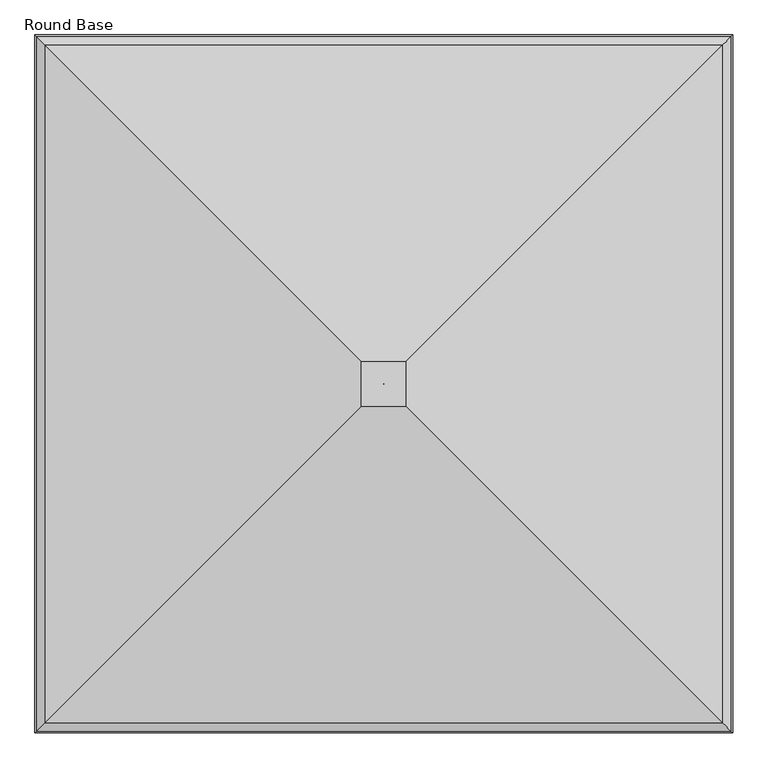
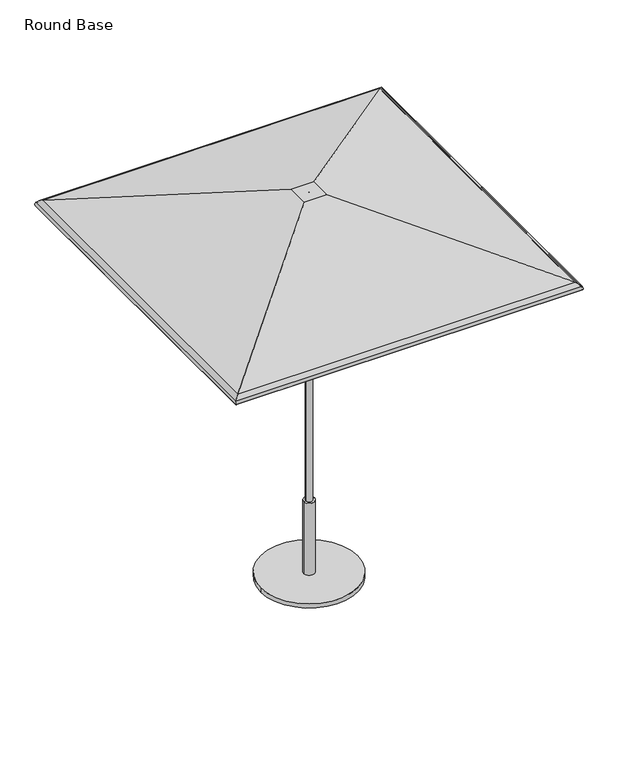
"""IFC4 building model written with IfcOpenShell, lengths in millimetres: furniture geometry, Round Base."""

import ifcopenshell
import ifcopenshell.guid

model = None  # the IFC model being written
_history = None  # IfcOwnerHistory: only IFC2X3 demands one
_inside = {}  # id of a spatial element -> (the spatial element, [elements in it])
_under = {}  # id of a project, library or spatial element -> (it, [spatial elements below it])
_declared = {}  # id of a project -> (the project, [libraries it declares])
_typed = {}  # id of a type object -> (the type object, [elements of that type])
_made_of = {}  # id of a material, layer set ... -> (it, [elements and type objects made of it])


def new_model(schema):
    """Start an empty IFC model of exactly this schema.

    Asked for "IFC4X3", IfcOpenShell would pick the latest addendum, in which some entities
    have other attributes; the version numbers below select the first issue.
    IFC2X3 requires an IfcOwnerHistory on every rooted entity: one is made here for all.
    """
    global model, _history
    if schema == "IFC4X3":
        model = ifcopenshell.file(schema_version=(4, 3, 0, 0))
    else:
        model = ifcopenshell.file(schema=schema)
    _inside.clear()
    _under.clear()
    _declared.clear()
    _typed.clear()
    _made_of.clear()
    _history = None
    if model.schema == "IFC2X3":
        org = make("IfcOrganization", Name="unknown")
        user = make(
            "IfcPersonAndOrganization",
            ThePerson=make("IfcPerson", FamilyName="unknown"),
            TheOrganization=org,
        )
        app = make(
            "IfcApplication",
            ApplicationDeveloper=org,
            Version="unknown",
            ApplicationFullName="unknown",
            ApplicationIdentifier="unknown",
        )
        _history = make(
            "IfcOwnerHistory",
            OwningUser=user,
            OwningApplication=app,
            ChangeAction="ADDED",
            CreationDate=0,
        )
    return model


def make(cls, **values):
    """One entity of the class cls with the attributes given. An attribute that is None is left unset."""
    return model.create_entity(
        cls, **{name: value for name, value in values.items() if value is not None}
    )


def rooted(cls, **values):
    """An entity with a GlobalId (a new one), such as an element, a storey or a relation."""
    return make(cls, GlobalId=ifcopenshell.guid.new(), OwnerHistory=_history, **values)


def si_unit(unit_type, name, prefix=None):
    """IfcSIUnit, for example si_unit("LENGTHUNIT", "METRE", prefix="MILLI")."""
    return make("IfcSIUnit", UnitType=unit_type, Prefix=prefix, Name=name)


def assignment(units):
    """IfcUnitAssignment: the units of a project."""
    return None if units is None else make("IfcUnitAssignment", Units=units)


def point(xyz):
    """IfcCartesianPoint."""
    return None if xyz is None else make("IfcCartesianPoint", Coordinates=xyz)


def direction(xyz):
    """IfcDirection."""
    return None if xyz is None else make("IfcDirection", DirectionRatios=xyz)


def frame(location, z_axis=None, x_axis=None):
    """IfcAxis2Placement3D, a coordinate frame: its origin and axes. An axis left out is left unset."""
    return make(
        "IfcAxis2Placement3D",
        Location=point(location),
        Axis=direction(z_axis),
        RefDirection=direction(x_axis),
    )


def frame_2d(location, x_axis=None):
    """IfcAxis2Placement2D, a coordinate frame in the plane: its origin and x axis."""
    return make(
        "IfcAxis2Placement2D", Location=point(location), RefDirection=direction(x_axis)
    )


def origin():
    """The frame at (0, 0, 0) with its axes left unset."""
    return frame((0.0, 0.0, 0.0))


def origin_with_axes():
    """The frame at (0, 0, 0) with the z axis (0, 0, 1) and the x axis (1, 0, 0) written out."""
    return frame((0.0, 0.0, 0.0), z_axis=(0.0, 0.0, 1.0), x_axis=(1.0, 0.0, 0.0))


def place(relative_to, where):
    """IfcLocalPlacement: puts the frame where relative to a parent placement (None: the world)."""
    return make(
        "IfcLocalPlacement", PlacementRelTo=relative_to, RelativePlacement=where
    )


def context(
    kind, dimensions, precision=None, world=None, true_north=None, identifier=None
):
    """IfcGeometricRepresentationContext, for example the 3D "Model" context."""
    return make(
        "IfcGeometricRepresentationContext",
        ContextIdentifier=identifier,
        ContextType=kind,
        CoordinateSpaceDimension=dimensions,
        Precision=precision,
        WorldCoordinateSystem=world,
        TrueNorth=true_north,
    )


def project(units=None, contexts=None):
    """IfcProject with its units and contexts."""
    return rooted(
        "IfcProject",
        Name="project",
        RepresentationContexts=contexts,
        UnitsInContext=assignment(units),
    )


def spatial(cls, under=None, at=None, **own):
    """A site, building, storey or space (cls), placed at a placement, below another one or the project."""
    s = rooted(cls, ObjectPlacement=at, **own)
    if under is not None:
        _under.setdefault(under.id(), (under, []))[1].append(s)
    return s


def polyline(points):
    """IfcPolyline through the points."""
    return make("IfcPolyline", Points=[point(p) for p in points])


def circle_curve(where, radius):
    """IfcCircle in the frame where."""
    return make("IfcCircle", Position=where, Radius=radius)


def ellipse_curve(where, semi_axis1, semi_axis2):
    """IfcEllipse in the frame where."""
    return make(
        "IfcEllipse", Position=where, SemiAxis1=semi_axis1, SemiAxis2=semi_axis2
    )


def trimmed(basis, trim1, trim2, sense, master):
    """IfcTrimmedCurve: the piece of a basis curve between two trims."""
    return make(
        "IfcTrimmedCurve",
        BasisCurve=basis,
        Trim1=trim1,
        Trim2=trim2,
        SenseAgreement=sense,
        MasterRepresentation=master,
    )


def segment(curve, same_sense, transition):
    """IfcCompositeCurveSegment."""
    return make(
        "IfcCompositeCurveSegment",
        Transition=transition,
        SameSense=same_sense,
        ParentCurve=curve,
    )


def composite_curve(segments, self_intersect=None):
    """IfcCompositeCurve: segments joined end to end."""
    return make("IfcCompositeCurve", Segments=segments, SelfIntersect=self_intersect)


def outline(outer, holes=None, kind="AREA"):
    """IfcArbitraryClosedProfileDef: a profile drawn as a closed curve; with holes, ...WithVoids."""
    if holes is None:
        return make("IfcArbitraryClosedProfileDef", ProfileType=kind, OuterCurve=outer)
    return make(
        "IfcArbitraryProfileDefWithVoids",
        ProfileType=kind,
        OuterCurve=outer,
        InnerCurves=holes,
    )


def extrude(swept, where, along, depth):
    """IfcExtrudedAreaSolid: the profile swept, set in the frame where, extruded along a direction by depth."""
    return make(
        "IfcExtrudedAreaSolid",
        SweptArea=swept,
        Position=where,
        ExtrudedDirection=direction(along),
        Depth=depth,
    )


def shape(context_of_items, identifier, shape_type, items):
    """IfcShapeRepresentation: the items that make up one representation, for example the "Body"."""
    return make(
        "IfcShapeRepresentation",
        ContextOfItems=context_of_items,
        RepresentationIdentifier=identifier,
        RepresentationType=shape_type,
        Items=items,
    )


def source(mapping_origin, context_of_items, identifier, shape_type, items):
    """IfcRepresentationMap: a shape defined once, which mapped items show again and again."""
    return make(
        "IfcRepresentationMap",
        MappingOrigin=mapping_origin,
        MappedRepresentation=shape(context_of_items, identifier, shape_type, items),
    )


def transform(
    local_origin,
    x_axis=None,
    y_axis=None,
    z_axis=None,
    scale=None,
    scale2=None,
    scale3=None,
    uniform=True,
):
    """IfcCartesianTransformationOperator3D, or its non-uniform kind. x_axis, y_axis, z_axis: its Axis1, 2, 3."""
    if uniform:
        return make(
            "IfcCartesianTransformationOperator3D",
            Axis1=direction(x_axis),
            Axis2=direction(y_axis),
            LocalOrigin=point(local_origin),
            Scale=scale,
            Axis3=direction(z_axis),
        )
    return make(
        "IfcCartesianTransformationOperator3DnonUniform",
        Axis1=direction(x_axis),
        Axis2=direction(y_axis),
        LocalOrigin=point(local_origin),
        Scale=scale,
        Axis3=direction(z_axis),
        Scale2=scale2,
        Scale3=scale3,
    )


def mapped(mapping_source, mapping_target):
    """IfcMappedItem: shows the shape of a source again, moved by a transform."""
    return make(
        "IfcMappedItem", MappingSource=mapping_source, MappingTarget=mapping_target
    )


def made_of(thing, what):
    """Note that an element or type object is made of a material, layer set ...; save() writes the relation."""
    if what is not None:
        _made_of.setdefault(what.id(), (what, []))[1].append(thing)
    return thing


def element(
    cls,
    number,
    at=None,
    inside=None,
    cuts=None,
    type_object=None,
    material=None,
    context=None,
    identifier="Body",
    shape_type=None,
    held_by="IfcProductDefinitionShape",
    body=None,
    shapes=None,
    **own,
):
    """One element of the class cls, such as IfcWall. Its Tag is "e" and its number.

    at: its placement. inside: the storey or other place that contains it. cuts: it is an
    opening in that element (IfcRelVoidsElement). A single representation is given by context,
    identifier, shape_type and body (its items); several are given by shapes. held_by: the class
    of the entity that holds the representations. save() writes the other relations.
    """
    e = rooted(cls, Tag="e%d" % number, ObjectPlacement=at, **own)
    if body is not None:
        shapes = [shape(context, identifier, shape_type, body)]
    if shapes is not None:
        e.Representation = make(held_by, Representations=shapes)
    if inside is not None:
        _inside.setdefault(inside.id(), (inside, []))[1].append(e)
    if cuts is not None:
        rooted(
            "IfcRelVoidsElement", RelatingBuildingElement=cuts, RelatedOpeningElement=e
        )
    if type_object is not None:
        _typed.setdefault(type_object.id(), (type_object, []))[1].append(e)
    return made_of(e, material)


def aggregate(whole, parts):
    """IfcRelAggregates: a whole, such as a stair, and the parts it consists of."""
    return rooted("IfcRelAggregates", RelatingObject=whole, RelatedObjects=parts)


def save(model, path):
    """Write the relations noted so far, then the file.

    IfcRelAggregates (storeys below a building ...), IfcRelContainedInSpatialStructure (elements
    in a storey), IfcRelDefinesByType, IfcRelAssociatesMaterial and IfcRelDeclares: one each for
    every whole, place, type object, material and project.
    """
    for whole, parts in _under.values():
        aggregate(whole, parts)
    for where, things in _inside.values():
        rooted(
            "IfcRelContainedInSpatialStructure",
            RelatedElements=things,
            RelatingStructure=where,
        )
    for kind, things in _typed.values():
        rooted("IfcRelDefinesByType", RelatedObjects=things, RelatingType=kind)
    for what, things in _made_of.values():
        rooted("IfcRelAssociatesMaterial", RelatedObjects=things, RelatingMaterial=what)
    for by, libraries in _declared.values():
        rooted("IfcRelDeclares", RelatingContext=by, RelatedDefinitions=libraries)
    model.write(path)


def plane_surface(at):
    """IfcPlane: the flat surface through the origin of the frame at, square to its z axis."""
    return make("IfcPlane", Position=at)


def cylinder_surface(at, radius):
    """IfcCylindricalSurface: all points at the distance radius from the z axis of the frame at."""
    return make("IfcCylindricalSurface", Position=at, Radius=radius)


def revolved_surface(curve, axis_point, axis_direction):
    """IfcSurfaceOfRevolution: the curve turned about the line through axis_point along axis_direction."""
    return make(
        "IfcSurfaceOfRevolution",
        SweptCurve=make("IfcArbitraryOpenProfileDef", ProfileType="CURVE", Curve=curve),
        AxisPosition=make("IfcAxis1Placement", Location=point(axis_point), Axis=direction(axis_direction)),
    )


def advanced_brep(points, edges, surfaces, faces):
    """IfcAdvancedBrep: a solid bounded by faces that lie on surfaces and meet in shared edges.

    An edge is (start, end): straight between two places in points (the first is 0);
    or (start, end, curve); or (start, end, curve, False) where it runs against its curve.
    A face is (place in surfaces, loops), or (place, loops, False) where it looks against
    its surface's normal. A loop lists edges by number (the first is 1), with a minus sign
    where the edge is run from its end to its start. The first loop is the outer one.
    """
    corners = [point(p) for p in points]
    vertices = [make("IfcVertexPoint", VertexGeometry=c) for c in corners]
    made = []
    for start, end, *more in edges:
        made.append(
            make(
                "IfcEdgeCurve",
                EdgeStart=vertices[start],
                EdgeEnd=vertices[end],
                EdgeGeometry=more[0] if more else make("IfcPolyline", Points=[corners[start], corners[end]]),
                SameSense=more[1] if len(more) > 1 else True,
            )
        )
    hull = []
    for where, loops, *sense in faces:
        bounds = []
        for j, loop in enumerate(loops):
            ring = [make("IfcOrientedEdge", EdgeElement=made[abs(k) - 1], Orientation=k > 0) for k in loop]
            bounds.append(
                make(
                    "IfcFaceOuterBound" if j == 0 else "IfcFaceBound",
                    Bound=make("IfcEdgeLoop", EdgeList=ring),
                    Orientation=True,
                )
            )
        hull.append(make("IfcAdvancedFace", Bounds=bounds, FaceSurface=surfaces[where], SameSense=sense[0] if sense else True))
    return make("IfcAdvancedBrep", Outer=make("IfcClosedShell", CfsFaces=hull))


def round_base_10424171(model_context):
    return source(origin(), model_context, "Body", "SolidModel", [
        advanced_brep(
        [(-0.1191233, -3.7889421, 2332.2359375), (-0.1191233, -3.7889421, 2336.8), (0.1191233, -3.7889421, 2336.8), (0.1191233, -3.7889421, 2332.2359375), (-972.8203346, -976.4901535, 2032.8952419), (-63.8799222, -67.5497411, 2332.2359375), (63.8799222, -67.5497411, 2332.2359375), (972.8203346, -976.4901535, 2032.8952419), (-993.3252275, -996.9950464, 2015.7031479), (993.3252275, -996.9950464, 2015.7031479), (-995.3819432, -999.051762, 1999.8260507), (995.3819432, -999.051762, 1999.8260507), (-999.7734953, -1003.4433141, 1998.5830959), (999.7734953, -1003.4433141, 1998.5830959), (-997.255117, -1000.9249359, 2018.0240604), (997.255117, -1000.9249359, 2018.0240604), (-972.7319046, -976.4017234, 2037.7634079), (972.7319046, -976.4017234, 2037.7634079), (-64.7106433, -68.3804622, 2336.8), (64.7106433, -68.3804622, 2336.8), (0.1191233, -2.7851577, 2336.8), (0.1191233, -2.7851577, 2332.2359375), (63.8799222, 60.9756412, 2332.2359375), (972.8203346, 969.9160536, 2032.8952419), (993.3252275, 990.4209465, 2015.7031479), (995.3819432, 992.4776622, 1999.8260507), (999.7734953, 996.8692143, 1998.5830959), (997.255117, 994.350836, 2018.0240604), (972.7319046, 969.8276236, 2037.7634079), (64.7106433, 61.8063623, 2336.8), (-0.1191233, -2.7851577, 2336.8), (-0.1191233, -2.7851577, 2332.2359375), (-63.8799222, 60.9756412, 2332.2359375), (-972.8203346, 969.9160536, 2032.8952419), (-993.3252275, 990.4209465, 2015.7031479), (-995.3819432, 992.4776622, 1999.8260507), (-999.7734953, 996.8692143, 1998.5830959), (-997.255117, 994.350836, 2018.0240604), (-972.7319046, 969.8276236, 2037.7634079), (-64.7106433, 61.8063623, 2336.8)],
        [
            (0, 1),
            (1, 2),
            (2, 3),
            (3, 0),
            (4, 5),
            (5, 6),
            (6, 7),
            (7, 4),
            (8, 4, ellipse_curve(frame((-958.7402749, -962.4100938, 1995.2779812), z_axis=(-0.7071067811865475, 0.7071067811865475, 0.0), x_axis=(0.7071067811865476, 0.7071067811865474, 0.0)), 56.8032813, 40.1659854)),
            (7, 9, ellipse_curve(frame((958.7402749, -962.4100938, 1995.2779812), z_axis=(0.7071067811865475, 0.7071067811865475, 0.0), x_axis=(0.7071067811865476, -0.7071067811865474, 0.0)), 56.8032813, 40.1659854)),
            (9, 8),
            (10, 8, ellipse_curve(frame((-975.8174942, -979.4873131, 2005.3634382), z_axis=(-0.7071067811865475, 0.7071067811865475, 0.0), x_axis=(0.7071067811865476, 0.7071067811865474, 0.0)), 28.7551847, 20.3329861)),
            (9, 11, ellipse_curve(frame((975.8174942, -979.4873131, 2005.3634382), z_axis=(0.7071067811865475, 0.7071067811865475, 0.0), x_axis=(0.7071067811865476, -0.7071067811865474, 0.0)), 28.7551847, 20.3329861)),
            (11, 10),
            (12, 10, ellipse_curve(frame((-997.5777192, -1001.2475381, 1999.2045733), z_axis=(0.7071067811865475, -0.7071067811865475, 0.0), x_axis=(-0.7071067811865476, -0.7071067811865474, 0.0)), 3.2272795, 2.2820312)),
            (11, 13, ellipse_curve(frame((997.5777192, -1001.2475381, 1999.2045733), z_axis=(-0.7071067811865475, -0.7071067811865475, 0.0), x_axis=(-0.7071067811865476, 0.7071067811865474, 0.0)), 3.2272795, 2.2820312)),
            (13, 12),
            (14, 12, ellipse_curve(frame((-975.8174942, -979.4873131, 2005.3634382), z_axis=(0.7071067811865475, -0.7071067811865475, 0.0), x_axis=(-0.7071067811865476, -0.7071067811865474, 0.0)), 35.2097438, 24.8970486)),
            (13, 15, ellipse_curve(frame((975.8174942, -979.4873131, 2005.3634382), z_axis=(-0.7071067811865475, -0.7071067811865475, 0.0), x_axis=(-0.7071067811865476, 0.7071067811865474, 0.0)), 35.2097438, 24.8970486)),
            (15, 14),
            (16, 14, ellipse_curve(frame((-958.7402749, -962.4100938, 1995.2779812), z_axis=(0.7071067811865475, -0.7071067811865475, 0.0), x_axis=(-0.7071067811865476, -0.7071067811865474, 0.0)), 63.2578403, 44.7300479)),
            (15, 17, ellipse_curve(frame((958.7402749, -962.4100938, 1995.2779812), z_axis=(-0.7071067811865475, -0.7071067811865475, 0.0), x_axis=(-0.7071067811865476, 0.7071067811865474, 0.0)), 63.2578403, 44.7300479)),
            (17, 16),
            (18, 16),
            (17, 19),
            (19, 18),
            (2, 20),
            (20, 21),
            (21, 3),
            (6, 22),
            (22, 23),
            (23, 7),
            (23, 24, ellipse_curve(frame((958.7402749, 955.8359939, 1995.2779812), z_axis=(-0.7071067811865475, 0.7071067811865475, 0.0), x_axis=(0.7071067811865474, 0.7071067811865476, 0.0)), 56.8032813, 40.1659854)),
            (24, 9),
            (24, 25, ellipse_curve(frame((975.8174942, 972.9132132, 2005.3634382), z_axis=(-0.7071067811865475, 0.7071067811865475, 0.0), x_axis=(0.7071067811865474, 0.7071067811865476, 0.0)), 28.7551847, 20.3329861)),
            (25, 11),
            (25, 26, ellipse_curve(frame((997.5777192, 994.6734382, 1999.2045733), z_axis=(0.7071067811865475, -0.7071067811865475, 0.0), x_axis=(-0.7071067811865474, -0.7071067811865476, 0.0)), 3.2272795, 2.2820312)),
            (26, 13),
            (26, 27, ellipse_curve(frame((975.8174942, 972.9132132, 2005.3634382), z_axis=(0.7071067811865475, -0.7071067811865475, 0.0), x_axis=(-0.7071067811865474, -0.7071067811865476, 0.0)), 35.2097438, 24.8970486)),
            (27, 15),
            (27, 28, ellipse_curve(frame((958.7402749, 955.8359939, 1995.2779812), z_axis=(0.7071067811865475, -0.7071067811865475, 0.0), x_axis=(-0.7071067811865474, -0.7071067811865476, 0.0)), 63.2578403, 44.7300479)),
            (28, 17),
            (28, 29),
            (29, 19),
            (20, 30),
            (30, 31),
            (31, 21),
            (22, 32),
            (32, 33),
            (33, 23),
            (33, 34, ellipse_curve(frame((-958.7402749, 955.8359939, 1995.2779812), z_axis=(-0.7071067811865475, -0.7071067811865475, 0.0), x_axis=(-0.7071067811865476, 0.7071067811865474, 0.0)), 56.8032813, 40.1659854)),
            (34, 24),
            (34, 35, ellipse_curve(frame((-975.8174942, 972.9132132, 2005.3634382), z_axis=(-0.7071067811865475, -0.7071067811865475, 0.0), x_axis=(-0.7071067811865476, 0.7071067811865474, 0.0)), 28.7551847, 20.3329861)),
            (35, 25),
            (35, 36, ellipse_curve(frame((-997.5777192, 994.6734382, 1999.2045733), z_axis=(0.7071067811865475, 0.7071067811865475, 0.0), x_axis=(0.7071067811865476, -0.7071067811865474, 0.0)), 3.2272795, 2.2820312)),
            (36, 26),
            (36, 37, ellipse_curve(frame((-975.8174942, 972.9132132, 2005.3634382), z_axis=(0.7071067811865475, 0.7071067811865475, 0.0), x_axis=(0.7071067811865476, -0.7071067811865474, 0.0)), 35.2097438, 24.8970486)),
            (37, 27),
            (37, 38, ellipse_curve(frame((-958.7402749, 955.8359939, 1995.2779812), z_axis=(0.7071067811865475, 0.7071067811865475, 0.0), x_axis=(0.7071067811865476, -0.7071067811865474, 0.0)), 63.2578403, 44.7300479)),
            (38, 28),
            (38, 39),
            (39, 29),
            (39, 18),
            (1, 30),
            (0, 31),
            (5, 32),
            (4, 33),
            (8, 34),
            (10, 35),
            (12, 36),
            (14, 37),
            (16, 38),
        ],
        [
            plane_surface(frame((-0.1191233, -3.7889421, 2336.8), z_axis=(0.0, 1.0, 0.0), x_axis=(1.0, 0.0, 0.0))),
            plane_surface(frame((-63.8799222, -67.5497411, 2332.2359375), z_axis=(0.0, 0.3128029016514654, -0.9498180587451598), x_axis=(1.0, 0.0, 0.0))),
            revolved_surface(polyline([(998.9062603008771, -922.2441084000001, 1995.2779812), (-998.9062603008771, -922.2441084000001, 1995.2779812)]), (-1013.0581334, -962.4100938, 1995.2779812), (1.0, 0.0, 0.0)),
            revolved_surface(polyline([(996.1504802956416, -959.1543270000001, 2005.3634382), (-996.1504802956417, -959.1543270000001, 2005.3634382)]), (-1013.0581334, -979.4873131, 2005.3634382), (1.0, 0.0, 0.0)),
            cylinder_surface(frame((-1013.0581334, -1001.2475381, 1999.2045733), z_axis=(-1.0, 0.0, 0.0), x_axis=(0.0, 1.0, 0.0)), 2.2820312),
            cylinder_surface(frame((-1013.0581334, -979.4873131, 2005.3634382), z_axis=(-1.0, 0.0, 0.0), x_axis=(0.0, 1.0, 0.0)), 24.8970486),
            cylinder_surface(frame((-1013.0581334, -962.4100938, 1995.2779812), z_axis=(-1.0, 0.0, 0.0), x_axis=(0.0, 1.0, 0.0)), 44.7300479),
            plane_surface(frame((-972.7319046, -976.4017234, 2037.7634079), z_axis=(0.0, -0.3128015803524927, 0.9498184938865862), x_axis=(1.0, 0.0, 0.0))),
            plane_surface(frame((0.1191233, -3.7889421, 2336.8), z_axis=(-1.0, 0.0, 0.0), x_axis=(0.0, 1.0, 0.0))),
            plane_surface(frame((63.8799222, -67.5497411, 2332.2359375), z_axis=(-0.31280290165146846, 0.0, -0.9498180587451588), x_axis=(0.0, 1.0, 0.0))),
            revolved_surface(polyline([(918.5742895000001, 996.0019793008769, 1995.2779812), (918.5742895000001, -1002.5760792008771, 1995.2779812)]), (958.7402749, -1016.7279523, 1995.2779812), (0.0, 1.0, 0.0)),
            revolved_surface(polyline([(955.4845081000001, 993.2461992956416, 2005.3634382), (955.4845081000001, -999.8202991956417, 2005.3634382)]), (975.8174942, -1016.7279523, 2005.3634382), (0.0, 1.0, 0.0)),
            cylinder_surface(frame((997.5777192, -1016.7279523, 1999.2045733), z_axis=(0.0, -1.0, 0.0), x_axis=(-1.0, 0.0, 0.0)), 2.2820312),
            cylinder_surface(frame((975.8174942, -1016.7279523, 2005.3634382), z_axis=(0.0, -1.0, 0.0), x_axis=(-1.0, 0.0, 0.0)), 24.8970486),
            cylinder_surface(frame((958.7402749, -1016.7279523, 1995.2779812), z_axis=(0.0, -1.0, 0.0), x_axis=(-1.0, 0.0, 0.0)), 44.7300479),
            plane_surface(frame((972.7319046, -976.4017234, 2037.7634079), z_axis=(0.3128015803524958, 0.0, 0.9498184938865852), x_axis=(0.0, 1.0, 0.0))),
            plane_surface(frame((0.1191233, -2.7851577, 2336.8), z_axis=(0.0, -1.0, 0.0), x_axis=(-1.0, 0.0, 0.0))),
            plane_surface(frame((63.8799222, 60.9756412, 2332.2359375), z_axis=(0.0, -0.3128029016514654, -0.9498180587451598), x_axis=(-1.0, 0.0, 0.0))),
            revolved_surface(polyline([(-998.9062603008771, 915.6700085, 1995.2779812), (998.9062603008771, 915.6700085, 1995.2779812)]), (1013.0581334, 955.8359939, 1995.2779812), (-1.0, 0.0, 0.0)),
            revolved_surface(polyline([(-996.1504802956416, 952.5802271, 2005.3634382), (996.1504802956417, 952.5802271, 2005.3634382)]), (1013.0581334, 972.9132132, 2005.3634382), (-1.0, 0.0, 0.0)),
            cylinder_surface(frame((1013.0581334, 994.6734382, 1999.2045733), z_axis=(1.0, 0.0, 0.0), x_axis=(0.0, -1.0, 0.0)), 2.2820312),
            cylinder_surface(frame((1013.0581334, 972.9132132, 2005.3634382), z_axis=(1.0, 0.0, 0.0), x_axis=(0.0, -1.0, 0.0)), 24.8970486),
            cylinder_surface(frame((1013.0581334, 955.8359939, 1995.2779812), z_axis=(1.0, 0.0, 0.0), x_axis=(0.0, -1.0, 0.0)), 44.7300479),
            plane_surface(frame((972.7319046, 969.8276236, 2037.7634079), z_axis=(0.0, 0.3128015803524927, 0.9498184938865862), x_axis=(-1.0, 0.0, 0.0))),
            plane_surface(frame((-64.7106433, 61.8063623, 2336.8), z_axis=(0.0, 0.0, 1.0), x_axis=(0.0, -1.0, 0.0))),
            plane_surface(frame((-0.1191233, -2.7851577, 2336.8), z_axis=(1.0, 0.0, 0.0), x_axis=(0.0, -1.0, 0.0))),
            plane_surface(frame((-0.1191233, -2.7851577, 2332.2359375), z_axis=(0.0, 0.0, -1.0), x_axis=(0.0, -1.0, 0.0))),
            plane_surface(frame((-63.8799222, 60.9756412, 2332.2359375), z_axis=(0.31280290165146235, 0.0, -0.9498180587451608), x_axis=(0.0, -1.0, 0.0))),
            revolved_surface(polyline([(-918.5742895000001, -1002.5760792008768, 1995.2779812), (-918.5742895000001, 996.001979300877, 1995.2779812)]), (-958.7402749, 1010.1538524, 1995.2779812), (0.0, -1.0, 0.0)),
            revolved_surface(polyline([(-955.4845081000001, -999.8202991956418, 2005.3634382), (-955.4845081000001, 993.2461992956416, 2005.3634382)]), (-975.8174942, 1010.1538524, 2005.3634382), (0.0, -1.0, 0.0)),
            cylinder_surface(frame((-997.5777192, 1010.1538524, 1999.2045733), z_axis=(0.0, 1.0, 0.0), x_axis=(1.0, 0.0, 0.0)), 2.2820312),
            cylinder_surface(frame((-975.8174942, 1010.1538524, 2005.3634382), z_axis=(0.0, 1.0, 0.0), x_axis=(1.0, 0.0, 0.0)), 24.8970486),
            cylinder_surface(frame((-958.7402749, 1010.1538524, 1995.2779812), z_axis=(0.0, 1.0, 0.0), x_axis=(1.0, 0.0, 0.0)), 44.7300479),
            plane_surface(frame((-972.7319046, 969.8276236, 2037.7634079), z_axis=(-0.31280158035248967, 0.0, 0.9498184938865872), x_axis=(0.0, -1.0, 0.0))),
        ],
        [
            (0, [[1, 2, 3, 4]]),
            (1, [[5, 6, 7, 8]]),
            (2, [[9, -8, 10, 11]]),
            (3, [[12, -11, 13, 14]]),
            (4, [[15, -14, 16, 17]]),
            (5, [[18, -17, 19, 20]]),
            (6, [[21, -20, 22, 23]]),
            (7, [[24, -23, 25, 26]]),
            (8, [[-3, 27, 28, 29]]),
            (9, [[-7, 30, 31, 32]]),
            (10, [[-10, -32, 33, 34]]),
            (11, [[-13, -34, 35, 36]]),
            (12, [[-16, -36, 37, 38]]),
            (13, [[-19, -38, 39, 40]]),
            (14, [[-22, -40, 41, 42]]),
            (15, [[-25, -42, 43, 44]]),
            (16, [[-28, 45, 46, 47]]),
            (17, [[-31, 48, 49, 50]]),
            (18, [[-33, -50, 51, 52]]),
            (19, [[-35, -52, 53, 54]]),
            (20, [[-37, -54, 55, 56]]),
            (21, [[-39, -56, 57, 58]]),
            (22, [[-41, -58, 59, 60]]),
            (23, [[-43, -60, 61, 62]]),
            (24, [[-44, -62, 63, -26], [64, -45, -27, -2]]),
            (25, [[-46, -64, -1, 65]]),
            (26, [[66, -48, -30, -6], [-29, -47, -65, -4]]),
            (27, [[-49, -66, -5, 67]]),
            (28, [[-51, -67, -9, 68]]),
            (29, [[-53, -68, -12, 69]]),
            (30, [[-55, -69, -15, 70]]),
            (31, [[-57, -70, -18, 71]]),
            (32, [[-59, -71, -21, 72]]),
            (33, [[-61, -72, -24, -63]]),
        ],
    ),
        extrude(outline(composite_curve([segment(trimmed(circle_curve(frame_2d((0.0, -4.0299408)), 279.4), [point((-279.4, -4.0299408))], [point((279.4, -4.0299408))], False, "CARTESIAN"), True, "CONTINUOUS"), segment(trimmed(circle_curve(frame_2d((0.0, -4.0299408)), 279.4), [point((279.4, -4.0299408))], [point((-279.4, -4.0299408))], False, "CARTESIAN"), True, "CONTINUOUS")], self_intersect=False)), origin_with_axes(), (0.0, 0.0, 1.0), 25.4),
        advanced_brep(
        [(-19.05, -4.0299408, 463.5500121), (19.05, -4.0299408, 463.5500121), (31.7499992, -4.0299408, 463.5500121), (-31.7499992, -4.0299408, 463.5500121), (-19.05, -4.0299408, 1771.5507813), (19.05, -4.0299408, 1771.5507813), (0.0, -4.0299408, 1771.5507813), (-31.7499992, -4.0299408, 25.4), (31.7499992, -4.0299408, 25.4), (0.0, -4.0299408, 25.4)],
        [
            (0, 1, circle_curve(frame((0.0, -4.0299408, 463.5500121), z_axis=(0.0, 0.0, -1.0), x_axis=(1.0, 0.0, 0.0)), 19.05)),
            (1, 2),
            (2, 3, circle_curve(frame((0.0, -4.0299408, 463.5500121), z_axis=(0.0, 0.0, 1.0), x_axis=(1.0, 0.0, 0.0)), 31.7499992)),
            (3, 0),
            (1, 0, circle_curve(frame((0.0, -4.0299408, 463.5500121), z_axis=(0.0, 0.0, -1.0), x_axis=(1.0, 0.0, 0.0)), 19.05)),
            (3, 2, circle_curve(frame((0.0, -4.0299408, 463.5500121), z_axis=(0.0, 0.0, 1.0), x_axis=(1.0, 0.0, 0.0)), 31.7499992)),
            (4, 5, circle_curve(frame((0.0, -4.0299408, 1771.5507813), z_axis=(0.0, 0.0, -1.0), x_axis=(1.0, 0.0, 0.0)), 19.05)),
            (5, 1),
            (0, 4),
            (5, 4, circle_curve(frame((0.0, -4.0299408, 1771.5507813), z_axis=(0.0, 0.0, -1.0), x_axis=(1.0, 0.0, 0.0)), 19.05)),
            (6, 5),
            (4, 6),
            (7, 8, circle_curve(frame((0.0, -4.0299408, 25.4), z_axis=(0.0, 0.0, -1.0), x_axis=(1.0, 0.0, 0.0)), 31.7499992)),
            (8, 9),
            (9, 7),
            (8, 7, circle_curve(frame((0.0, -4.0299408, 25.4), z_axis=(0.0, 0.0, -1.0), x_axis=(1.0, 0.0, 0.0)), 31.7499992)),
            (2, 8),
            (7, 3),
        ],
        [
            plane_surface(frame((0.0, -4.0299408, 463.5500121), z_axis=(0.0, 0.0, 1.0), x_axis=(1.0, 0.0, 0.0))),
            cylinder_surface(frame((0.0, -4.0299408, 2635.1507813), z_axis=(0.0, 0.0, 1.0), x_axis=(1.0, 0.0, 0.0)), 19.05),
            plane_surface(frame((0.0, -4.0299408, 1771.5507813), z_axis=(0.0, 0.0, 1.0), x_axis=(1.0, 0.0, 0.0))),
            plane_surface(frame((0.0, -4.0299408, 25.4), z_axis=(0.0, 0.0, -1.0), x_axis=(1.0, 0.0, 0.0))),
            cylinder_surface(frame((0.0, -4.0299408, 2635.1507813), z_axis=(0.0, 0.0, 1.0), x_axis=(1.0, 0.0, 0.0)), 31.7499992),
        ],
        [
            (0, [[1, 2, 3, 4]]),
            (0, [[5, -4, 6, -2]]),
            (1, [[7, 8, -1, 9]]),
            (1, [[10, -9, -5, -8]]),
            (2, [[11, -7, 12]]),
            (2, [[-12, -10, -11]]),
            (3, [[13, 14, 15]]),
            (3, [[16, -15, -14]]),
            (4, [[-3, 17, -13, 18]]),
            (4, [[-6, -18, -16, -17]]),
        ],
    ),
    ])


if __name__ == "__main__":
    model = new_model("IFC4")
    model_context = context("Model", 3, world=origin())
    ifc_project = project(units=[si_unit("LENGTHUNIT", "METRE", prefix="MILLI")], contexts=[model_context])
    site = spatial("IfcSite", under=ifc_project)
    building = spatial("IfcBuilding", under=site)
    placement = place(None, origin())
    round_base_shape = round_base_10424171(model_context)
    element("IfcFurniture", 1, ObjectType="Round Base", at=placement, inside=building, context=model_context, shape_type="MappedRepresentation", body=[
        mapped(round_base_shape, transform((0.0, 0.0, 0.0), x_axis=(1.0, 0.0, 0.0), y_axis=(0.0, 1.0, 0.0), z_axis=(0.0, 0.0, 1.0))),
    ])
    save(model, "model.ifc")
